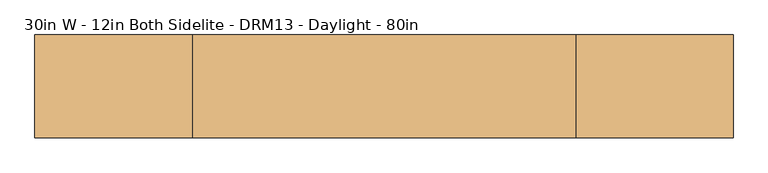
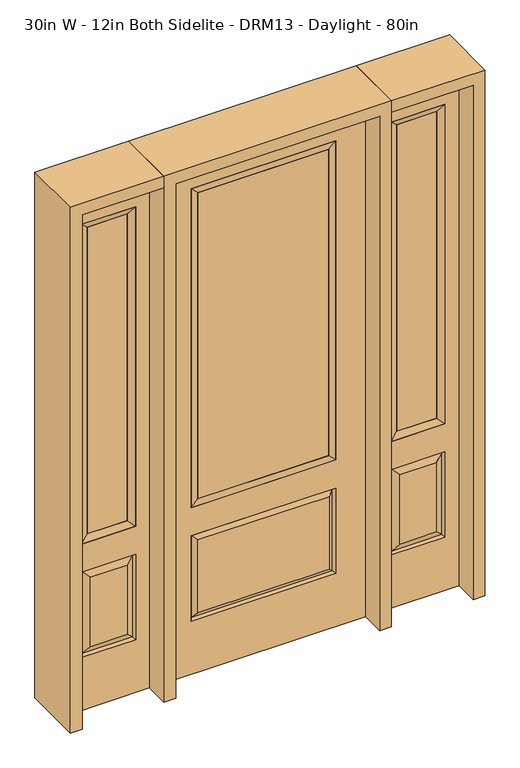
"""IFC4 building model written with IfcOpenShell, lengths in millimetres: door geometry, 30in W - 12in Both Sidelite - DRM13 - Daylight - 80in."""

import ifcopenshell
import ifcopenshell.guid

model = None  # the IFC model being written
_history = None  # IfcOwnerHistory: only IFC2X3 demands one
_inside = {}  # id of a spatial element -> (the spatial element, [elements in it])
_under = {}  # id of a project, library or spatial element -> (it, [spatial elements below it])
_declared = {}  # id of a project -> (the project, [libraries it declares])
_typed = {}  # id of a type object -> (the type object, [elements of that type])
_made_of = {}  # id of a material, layer set ... -> (it, [elements and type objects made of it])


def new_model(schema):
    """Start an empty IFC model of exactly this schema.

    Asked for "IFC4X3", IfcOpenShell would pick the latest addendum, in which some entities
    have other attributes; the version numbers below select the first issue.
    IFC2X3 requires an IfcOwnerHistory on every rooted entity: one is made here for all.
    """
    global model, _history
    if schema == "IFC4X3":
        model = ifcopenshell.file(schema_version=(4, 3, 0, 0))
    else:
        model = ifcopenshell.file(schema=schema)
    _inside.clear()
    _under.clear()
    _declared.clear()
    _typed.clear()
    _made_of.clear()
    _history = None
    if model.schema == "IFC2X3":
        org = make("IfcOrganization", Name="unknown")
        user = make(
            "IfcPersonAndOrganization",
            ThePerson=make("IfcPerson", FamilyName="unknown"),
            TheOrganization=org,
        )
        app = make(
            "IfcApplication",
            ApplicationDeveloper=org,
            Version="unknown",
            ApplicationFullName="unknown",
            ApplicationIdentifier="unknown",
        )
        _history = make(
            "IfcOwnerHistory",
            OwningUser=user,
            OwningApplication=app,
            ChangeAction="ADDED",
            CreationDate=0,
        )
    return model


def make(cls, **values):
    """One entity of the class cls with the attributes given. An attribute that is None is left unset."""
    return model.create_entity(
        cls, **{name: value for name, value in values.items() if value is not None}
    )


def rooted(cls, **values):
    """An entity with a GlobalId (a new one), such as an element, a storey or a relation."""
    return make(cls, GlobalId=ifcopenshell.guid.new(), OwnerHistory=_history, **values)


def si_unit(unit_type, name, prefix=None):
    """IfcSIUnit, for example si_unit("LENGTHUNIT", "METRE", prefix="MILLI")."""
    return make("IfcSIUnit", UnitType=unit_type, Prefix=prefix, Name=name)


def assignment(units):
    """IfcUnitAssignment: the units of a project."""
    return None if units is None else make("IfcUnitAssignment", Units=units)


def point(xyz):
    """IfcCartesianPoint."""
    return None if xyz is None else make("IfcCartesianPoint", Coordinates=xyz)


def direction(xyz):
    """IfcDirection."""
    return None if xyz is None else make("IfcDirection", DirectionRatios=xyz)


def frame(location, z_axis=None, x_axis=None):
    """IfcAxis2Placement3D, a coordinate frame: its origin and axes. An axis left out is left unset."""
    return make(
        "IfcAxis2Placement3D",
        Location=point(location),
        Axis=direction(z_axis),
        RefDirection=direction(x_axis),
    )


def origin():
    """The frame at (0, 0, 0) with its axes left unset."""
    return frame((0.0, 0.0, 0.0))


def place(relative_to, where):
    """IfcLocalPlacement: puts the frame where relative to a parent placement (None: the world)."""
    return make(
        "IfcLocalPlacement", PlacementRelTo=relative_to, RelativePlacement=where
    )


def context(
    kind, dimensions, precision=None, world=None, true_north=None, identifier=None
):
    """IfcGeometricRepresentationContext, for example the 3D "Model" context."""
    return make(
        "IfcGeometricRepresentationContext",
        ContextIdentifier=identifier,
        ContextType=kind,
        CoordinateSpaceDimension=dimensions,
        Precision=precision,
        WorldCoordinateSystem=world,
        TrueNorth=true_north,
    )


def project(units=None, contexts=None):
    """IfcProject with its units and contexts."""
    return rooted(
        "IfcProject",
        Name="project",
        RepresentationContexts=contexts,
        UnitsInContext=assignment(units),
    )


def spatial(cls, under=None, at=None, **own):
    """A site, building, storey or space (cls), placed at a placement, below another one or the project."""
    s = rooted(cls, ObjectPlacement=at, **own)
    if under is not None:
        _under.setdefault(under.id(), (under, []))[1].append(s)
    return s


def polyline(points):
    """IfcPolyline through the points."""
    return make("IfcPolyline", Points=[point(p) for p in points])


def outline(outer, holes=None, kind="AREA"):
    """IfcArbitraryClosedProfileDef: a profile drawn as a closed curve; with holes, ...WithVoids."""
    if holes is None:
        return make("IfcArbitraryClosedProfileDef", ProfileType=kind, OuterCurve=outer)
    return make(
        "IfcArbitraryProfileDefWithVoids",
        ProfileType=kind,
        OuterCurve=outer,
        InnerCurves=holes,
    )


def extrude(swept, where, along, depth):
    """IfcExtrudedAreaSolid: the profile swept, set in the frame where, extruded along a direction by depth."""
    return make(
        "IfcExtrudedAreaSolid",
        SweptArea=swept,
        Position=where,
        ExtrudedDirection=direction(along),
        Depth=depth,
    )


def faces_of(points, faces, orient=None, outer=None):
    """IfcFace entities. A face is a list of loops; a loop is a list of indices into points, from 0.

    orient and outer hold one flag for each loop. By default every Orientation is true, the
    first loop of a face is its IfcFaceOuterBound and the others are IfcFaceBound.
    """
    made = []
    for i, loops in enumerate(faces):
        bounds = []
        for j, loop in enumerate(loops):
            is_outer = j == 0 if outer is None else outer[i][j]
            bounds.append(
                make(
                    "IfcFaceOuterBound" if is_outer else "IfcFaceBound",
                    Bound=make("IfcPolyLoop", Polygon=[points[k] for k in loop]),
                    Orientation=True if orient is None else orient[i][j],
                )
            )
        made.append(make("IfcFace", Bounds=bounds))
    return made


def faceted_brep(points, faces, orient=None, outer=None, voids=None):
    """IfcFacetedBrep: a solid bounded by flat faces; with voids (closed shells), ...WithVoids."""
    shared = [point(p) for p in points]
    hull = make("IfcClosedShell", CfsFaces=faces_of(shared, faces, orient, outer))
    if voids is None:
        return make("IfcFacetedBrep", Outer=hull)
    return make(
        "IfcFacetedBrepWithVoids",
        Outer=hull,
        Voids=[
            make(cls, CfsFaces=faces_of(shared, fs, o, b)) for cls, fs, o, b in voids
        ],
    )


def shape(context_of_items, identifier, shape_type, items):
    """IfcShapeRepresentation: the items that make up one representation, for example the "Body"."""
    return make(
        "IfcShapeRepresentation",
        ContextOfItems=context_of_items,
        RepresentationIdentifier=identifier,
        RepresentationType=shape_type,
        Items=items,
    )


def source(mapping_origin, context_of_items, identifier, shape_type, items):
    """IfcRepresentationMap: a shape defined once, which mapped items show again and again."""
    return make(
        "IfcRepresentationMap",
        MappingOrigin=mapping_origin,
        MappedRepresentation=shape(context_of_items, identifier, shape_type, items),
    )


def transform(
    local_origin,
    x_axis=None,
    y_axis=None,
    z_axis=None,
    scale=None,
    scale2=None,
    scale3=None,
    uniform=True,
):
    """IfcCartesianTransformationOperator3D, or its non-uniform kind. x_axis, y_axis, z_axis: its Axis1, 2, 3."""
    if uniform:
        return make(
            "IfcCartesianTransformationOperator3D",
            Axis1=direction(x_axis),
            Axis2=direction(y_axis),
            LocalOrigin=point(local_origin),
            Scale=scale,
            Axis3=direction(z_axis),
        )
    return make(
        "IfcCartesianTransformationOperator3DnonUniform",
        Axis1=direction(x_axis),
        Axis2=direction(y_axis),
        LocalOrigin=point(local_origin),
        Scale=scale,
        Axis3=direction(z_axis),
        Scale2=scale2,
        Scale3=scale3,
    )


def mapped(mapping_source, mapping_target):
    """IfcMappedItem: shows the shape of a source again, moved by a transform."""
    return make(
        "IfcMappedItem", MappingSource=mapping_source, MappingTarget=mapping_target
    )


def made_of(thing, what):
    """Note that an element or type object is made of a material, layer set ...; save() writes the relation."""
    if what is not None:
        _made_of.setdefault(what.id(), (what, []))[1].append(thing)
    return thing


def element(
    cls,
    number,
    at=None,
    inside=None,
    cuts=None,
    type_object=None,
    material=None,
    context=None,
    identifier="Body",
    shape_type=None,
    held_by="IfcProductDefinitionShape",
    body=None,
    shapes=None,
    **own,
):
    """One element of the class cls, such as IfcWall. Its Tag is "e" and its number.

    at: its placement. inside: the storey or other place that contains it. cuts: it is an
    opening in that element (IfcRelVoidsElement). A single representation is given by context,
    identifier, shape_type and body (its items); several are given by shapes. held_by: the class
    of the entity that holds the representations. save() writes the other relations.
    """
    e = rooted(cls, Tag="e%d" % number, ObjectPlacement=at, **own)
    if body is not None:
        shapes = [shape(context, identifier, shape_type, body)]
    if shapes is not None:
        e.Representation = make(held_by, Representations=shapes)
    if inside is not None:
        _inside.setdefault(inside.id(), (inside, []))[1].append(e)
    if cuts is not None:
        rooted(
            "IfcRelVoidsElement", RelatingBuildingElement=cuts, RelatedOpeningElement=e
        )
    if type_object is not None:
        _typed.setdefault(type_object.id(), (type_object, []))[1].append(e)
    return made_of(e, material)


def aggregate(whole, parts):
    """IfcRelAggregates: a whole, such as a stair, and the parts it consists of."""
    return rooted("IfcRelAggregates", RelatingObject=whole, RelatedObjects=parts)


def save(model, path):
    """Write the relations noted so far, then the file.

    IfcRelAggregates (storeys below a building ...), IfcRelContainedInSpatialStructure (elements
    in a storey), IfcRelDefinesByType, IfcRelAssociatesMaterial and IfcRelDeclares: one each for
    every whole, place, type object, material and project.
    """
    for whole, parts in _under.values():
        aggregate(whole, parts)
    for where, things in _inside.values():
        rooted(
            "IfcRelContainedInSpatialStructure",
            RelatedElements=things,
            RelatingStructure=where,
        )
    for kind, things in _typed.values():
        rooted("IfcRelDefinesByType", RelatedObjects=things, RelatingType=kind)
    for what, things in _made_of.values():
        rooted("IfcRelAssociatesMaterial", RelatedObjects=things, RelatingMaterial=what)
    for by, libraries in _declared.values():
        rooted("IfcRelDeclares", RelatingContext=by, RelatedDefinitions=libraries)
    model.write(path)


def door_30in_w_12in_both_sidelite_drm13_daylight_80in_c930fb0f(model_context):
    return source(origin(), model_context, "Body", "SolidModel", [
        faceted_brep([(425.45, -22.225, 0.0), (730.25, -22.225, 0.0), (730.25, -22.225, 2032.0), (425.45, -22.225, 2032.0), (678.18, -22.225, 1919.224), (678.18, -22.225, 657.098), (477.52, -22.225, 657.098), (477.52, -22.225, 1919.224), (678.18, -22.225, 209.55), (477.52, -22.225, 209.55), (477.52, -22.225, 546.1), (678.18, -22.225, 546.1), (509.2351001, -22.225, 241.2651001), (646.4648999, -22.225, 241.2651001), (646.4648999, -22.225, 514.3848999), (509.2351001, -22.225, 514.3848999), (425.45, 22.225, 0.0), (425.45, 22.225, 2032.0), (730.25, 22.225, 2032.0), (730.25, 22.225, 0.0), (678.18, 22.225, 1919.224), (477.52, 22.225, 1919.224), (477.52, 22.225, 657.098), (678.18, 22.225, 657.098), (477.52, 22.225, 209.55), (678.18, 22.225, 209.55), (678.18, 22.225, 546.1), (477.52, 22.225, 546.1), (646.4648999, 22.225, 241.2651001), (509.2351001, 22.225, 241.2651001), (509.2351001, 22.225, 514.3848999), (646.4648999, 22.225, 514.3848999), (671.0711499, 12.7912373, 216.6588501), (484.6288501, 12.7912373, 216.6588501), (484.6288501, 12.7912373, 538.9911499), (671.0711499, 12.7912373, 538.9911499), (484.6288501, -12.7912373, 216.6588501), (671.0711499, -12.7912373, 216.6588501), (484.6288501, -12.7912373, 538.9911499), (671.0711499, -12.7912373, 538.9911499)], [[[0, 1, 2, 3], [4, 5, 6, 7], [8, 9, 10, 11]], [[12, 13, 14, 15]], [[16, 17, 18, 19], [20, 21, 22, 23], [24, 25, 26, 27]], [[28, 29, 30, 31]], [[1, 0, 16, 19]], [[2, 1, 19, 18]], [[3, 2, 18, 17]], [[0, 3, 17, 16]], [[5, 4, 20, 23]], [[6, 5, 23, 22]], [[7, 6, 22, 21]], [[4, 7, 21, 20]], [[32, 33, 29, 28]], [[33, 32, 25, 24]], [[29, 33, 34, 30]], [[33, 24, 27, 34]], [[30, 34, 35, 31]], [[34, 27, 26, 35]], [[32, 28, 31, 35]], [[25, 32, 35, 26]], [[12, 36, 37, 13]], [[37, 36, 9, 8]], [[36, 12, 15, 38]], [[9, 36, 38, 10]], [[38, 15, 14, 39]], [[10, 38, 39, 11]], [[13, 37, 39, 14]], [[37, 8, 11, 39]]]),
        faceted_brep([(477.52, 22.225, 1919.224), (477.52, -22.225, 1919.224), (678.18, -22.225, 1919.224), (678.18, 22.225, 1919.224), (502.92, 12.7, 1893.824), (652.78, 12.7, 1893.824), (502.92, -12.7, 1893.824), (652.78, -12.7, 1893.824), (678.18, -22.225, 657.098), (678.18, 22.225, 657.098), (652.78, 12.7, 682.498), (652.78, -12.7, 682.498), (477.52, -22.225, 657.098), (477.52, 22.225, 657.098), (502.92, 12.7, 682.498), (502.92, -12.7, 682.498)], [[[0, 1, 2, 3]], [[4, 0, 3, 5]], [[6, 4, 5, 7]], [[1, 6, 7, 2]], [[3, 2, 8, 9]], [[5, 3, 9, 10]], [[7, 5, 10, 11]], [[2, 7, 11, 8]], [[9, 8, 12, 13]], [[10, 9, 13, 14]], [[11, 10, 14, 15]], [[8, 11, 15, 12]], [[13, 12, 1, 0]], [[14, 13, 0, 4]], [[15, 14, 4, 6]], [[12, 15, 6, 1]]]),
        extrude(outline(polyline([(652.78, -12.7), (502.92, -12.7), (502.92, 12.7), (652.78, 12.7), (652.78, -12.7)])), frame((0.0, 0.0, 682.498), z_axis=(0.0, 0.0, 1.0), x_axis=(1.0, 0.0, 0.0)), (0.0, 0.0, 1.0), 1211.326),
        faceted_brep([(-730.25, -22.225, 0.0), (-425.45, -22.225, 0.0), (-425.45, -22.225, 2032.0), (-730.25, -22.225, 2032.0), (-477.52, -22.225, 1919.224), (-477.52, -22.225, 657.098), (-678.18, -22.225, 657.098), (-678.18, -22.225, 1919.224), (-477.52, -22.225, 209.55), (-678.18, -22.225, 209.55), (-678.18, -22.225, 546.1), (-477.52, -22.225, 546.1), (-646.4648999, -22.225, 241.2651001), (-509.2351001, -22.225, 241.2651001), (-509.2351001, -22.225, 514.3848999), (-646.4648999, -22.225, 514.3848999), (-730.25, 22.225, 0.0), (-730.25, 22.225, 2032.0), (-425.45, 22.225, 2032.0), (-425.45, 22.225, 0.0), (-477.52, 22.225, 1919.224), (-678.18, 22.225, 1919.224), (-678.18, 22.225, 657.098), (-477.52, 22.225, 657.098), (-678.18, 22.225, 209.55), (-477.52, 22.225, 209.55), (-477.52, 22.225, 546.1), (-678.18, 22.225, 546.1), (-509.2351001, 22.225, 241.2651001), (-646.4648999, 22.225, 241.2651001), (-646.4648999, 22.225, 514.3848999), (-509.2351001, 22.225, 514.3848999), (-484.6288501, 12.7912373, 216.6588501), (-671.0711499, 12.7912373, 216.6588501), (-671.0711499, 12.7912373, 538.9911499), (-484.6288501, 12.7912373, 538.9911499), (-671.0711499, -12.7912373, 216.6588501), (-484.6288501, -12.7912373, 216.6588501), (-671.0711499, -12.7912373, 538.9911499), (-484.6288501, -12.7912373, 538.9911499)], [[[0, 1, 2, 3], [4, 5, 6, 7], [8, 9, 10, 11]], [[12, 13, 14, 15]], [[16, 17, 18, 19], [20, 21, 22, 23], [24, 25, 26, 27]], [[28, 29, 30, 31]], [[1, 0, 16, 19]], [[2, 1, 19, 18]], [[3, 2, 18, 17]], [[0, 3, 17, 16]], [[5, 4, 20, 23]], [[6, 5, 23, 22]], [[7, 6, 22, 21]], [[4, 7, 21, 20]], [[32, 33, 29, 28]], [[33, 32, 25, 24]], [[29, 33, 34, 30]], [[33, 24, 27, 34]], [[30, 34, 35, 31]], [[34, 27, 26, 35]], [[32, 28, 31, 35]], [[25, 32, 35, 26]], [[12, 36, 37, 13]], [[37, 36, 9, 8]], [[36, 12, 15, 38]], [[9, 36, 38, 10]], [[38, 15, 14, 39]], [[10, 38, 39, 11]], [[13, 37, 39, 14]], [[37, 8, 11, 39]]]),
        faceted_brep([(-678.18, 22.225, 1919.224), (-678.18, -22.225, 1919.224), (-477.52, -22.225, 1919.224), (-477.52, 22.225, 1919.224), (-652.78, 12.7, 1893.824), (-502.92, 12.7, 1893.824), (-652.78, -12.7, 1893.824), (-502.92, -12.7, 1893.824), (-477.52, -22.225, 657.098), (-477.52, 22.225, 657.098), (-502.92, 12.7, 682.498), (-502.92, -12.7, 682.498), (-678.18, -22.225, 657.098), (-678.18, 22.225, 657.098), (-652.78, 12.7, 682.498), (-652.78, -12.7, 682.498)], [[[0, 1, 2, 3]], [[4, 0, 3, 5]], [[6, 4, 5, 7]], [[1, 6, 7, 2]], [[3, 2, 8, 9]], [[5, 3, 9, 10]], [[7, 5, 10, 11]], [[2, 7, 11, 8]], [[9, 8, 12, 13]], [[10, 9, 13, 14]], [[11, 10, 14, 15]], [[8, 11, 15, 12]], [[13, 12, 1, 0]], [[14, 13, 0, 4]], [[15, 14, 4, 6]], [[12, 15, 6, 1]]]),
        extrude(outline(polyline([(-502.92, -12.7), (-652.78, -12.7), (-652.78, 12.7), (-502.92, 12.7), (-502.92, -12.7)])), frame((0.0, 0.0, 682.498), z_axis=(0.0, 0.0, 1.0), x_axis=(1.0, 0.0, 0.0)), (0.0, 0.0, 1.0), 1211.326),
        faceted_brep([(-262.7661499, -12.7912373, 216.6588501), (262.7661499, -12.7912373, 216.6588501), (245.26875, -22.225, 234.15625), (-245.26875, -22.225, 234.15625), (-269.875, -22.225, 209.55), (269.875, -22.225, 209.55), (-262.7661499, -12.7912373, 538.9911499), (-269.875, -22.225, 546.1), (245.26875, -22.225, 521.49375), (-245.26875, -22.225, 521.49375), (381.0, -22.225, 2032.0), (-381.0, -22.225, 2032.0), (-381.0, -22.225, 0.0), (381.0, -22.225, 0.0), (269.875, -22.225, 546.1), (269.875, -22.225, 1917.7), (269.875, -22.225, 657.098), (-269.875, -22.225, 657.098), (-269.875, -22.225, 1917.7), (262.7661499, -12.7912373, 538.9911499), (-381.0, 22.225, 2032.0), (-381.0, 22.225, 0.0), (381.0, 22.225, 0.0), (381.0, 22.225, 2032.0), (269.875, 22.225, 1917.7), (269.875, 22.225, 657.098), (-269.875, 22.225, 657.098), (-269.875, 22.225, 1917.7), (-269.875, 22.225, 209.55), (269.875, 22.225, 209.55), (269.875, 22.225, 546.1), (-269.875, 22.225, 546.1), (245.26875, 22.225, 234.15625), (-245.26875, 22.225, 234.15625), (-245.26875, 22.225, 521.49375), (245.26875, 22.225, 521.49375), (-262.7661499, 12.7912373, 216.6588501), (262.7661499, 12.7912373, 216.6588501), (262.7661499, 12.7912373, 538.9911499), (-262.7661499, 12.7912373, 538.9911499)], [[[0, 1, 2, 3]], [[1, 0, 4, 5]], [[4, 0, 6, 7]], [[3, 2, 8, 9]], [[10, 11, 12, 13], [5, 4, 7, 14], [15, 16, 17, 18]], [[1, 5, 14, 19]], [[2, 1, 19, 8]], [[0, 3, 9, 6]], [[7, 6, 19, 14]], [[6, 9, 8, 19]], [[12, 11, 20, 21]], [[13, 12, 21, 22]], [[10, 13, 22, 23]], [[16, 15, 24, 25]], [[17, 16, 25, 26]], [[18, 17, 26, 27]], [[23, 22, 21, 20], [28, 29, 30, 31], [24, 27, 26, 25]], [[32, 33, 34, 35]], [[28, 36, 37, 29]], [[29, 37, 38, 30]], [[39, 31, 30, 38]], [[36, 28, 31, 39]], [[37, 36, 33, 32]], [[33, 36, 39, 34]], [[34, 39, 38, 35]], [[37, 32, 35, 38]], [[11, 10, 23, 20]], [[15, 18, 27, 24]]]),
        faceted_brep([(-269.875, -22.225, 1917.7), (-269.875, 22.225, 1917.7), (-269.875, 22.225, 657.098), (-269.875, -22.225, 657.098), (269.875, 22.225, 657.098), (269.875, -22.225, 657.098), (-244.475, 5.08, 682.498), (244.475, 5.08, 682.498), (269.875, 22.225, 1917.7), (269.875, -22.225, 1917.7), (-244.475, -20.32, 682.498), (244.475, -20.32, 682.498), (-244.475, -20.32, 1892.3), (244.475, -20.32, 1892.3), (-244.475, 5.08, 1892.3), (244.475, 5.08, 1892.3)], [[[0, 1, 2, 3]], [[3, 2, 4, 5]], [[2, 6, 7, 4]], [[5, 4, 8, 9]], [[10, 3, 5, 11]], [[12, 0, 3, 10]], [[11, 5, 9, 13]], [[6, 10, 11, 7]], [[14, 12, 10, 6]], [[7, 11, 13, 15]], [[1, 14, 6, 2]], [[4, 7, 15, 8]], [[9, 8, 1, 0]], [[13, 9, 0, 12]], [[15, 13, 12, 14]], [[8, 15, 14, 1]]]),
        extrude(outline(polyline([(244.475, -20.32), (-244.475, -20.32), (-244.475, 5.08), (244.475, 5.08), (244.475, -20.32)])), frame((0.0, 0.0, 682.498), z_axis=(0.0, 0.0, 1.0), x_axis=(1.0, 0.0, 0.0)), (0.0, 0.0, 1.0), 1209.802),
        extrude(outline(polyline([(2032.0, -425.45), (2076.45, -425.45), (2076.45, -774.7), (0.0, -774.7), (0.0, -730.25), (2032.0, -730.25), (2032.0, -425.45)])), frame((0.0, -114.3, 0.0), z_axis=(0.0, 1.0, 0.0), x_axis=(0.0, 0.0, 1.0)), (0.0, 0.0, 1.0), 228.6),
        extrude(outline(polyline([(2076.45, -425.45), (0.0, -425.45), (0.0, -381.0), (2032.0, -381.0), (2032.0, 381.0), (0.0, 381.0), (0.0, 425.45), (2076.45, 425.45), (2076.45, -425.45)])), frame((0.0, -114.3, 0.0), z_axis=(0.0, 1.0, 0.0), x_axis=(0.0, 0.0, 1.0)), (0.0, 0.0, 1.0), 228.6),
        extrude(outline(polyline([(0.0, 730.25), (0.0, 774.7), (2076.45, 774.7), (2076.45, 425.45), (2032.0, 425.45), (2032.0, 730.25), (0.0, 730.25)])), frame((0.0, -114.3, 0.0), z_axis=(0.0, 1.0, 0.0), x_axis=(0.0, 0.0, 1.0)), (0.0, 0.0, 1.0), 228.6),
    ])


if __name__ == "__main__":
    model = new_model("IFC4")
    model_context = context("Model", 3, world=origin())
    ifc_project = project(units=[si_unit("LENGTHUNIT", "METRE", prefix="MILLI")], contexts=[model_context])
    site = spatial("IfcSite", under=ifc_project)
    building = spatial("IfcBuilding", under=site)
    placement = place(None, origin())
    door_30in_w_12in_both_sidelite_drm13_daylight_80in_shape = door_30in_w_12in_both_sidelite_drm13_daylight_80in_c930fb0f(model_context)
    element("IfcDoor", 1, ObjectType="30in W - 12in Both Sidelite - DRM13 - Daylight - 80in", at=placement, inside=building, context=model_context, shape_type="MappedRepresentation", body=[
        mapped(door_30in_w_12in_both_sidelite_drm13_daylight_80in_shape, transform((0.0, 0.0, 0.0), x_axis=(1.0, 0.0, 0.0), y_axis=(0.0, 1.0, 0.0), z_axis=(0.0, 0.0, 1.0))),
    ])
    save(model, "model.ifc")
